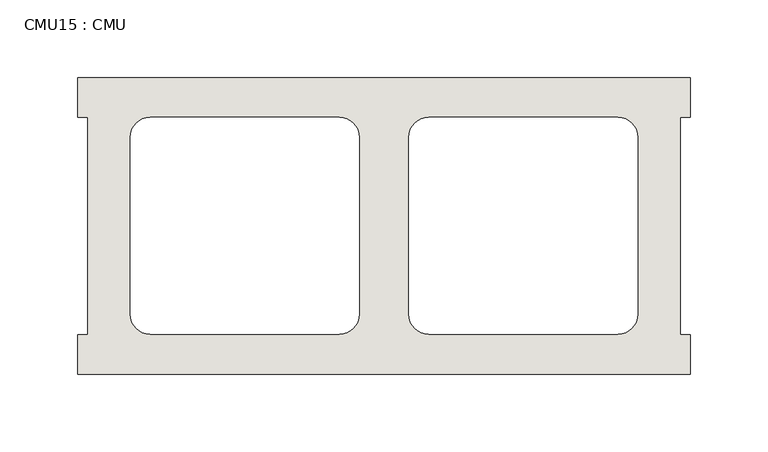
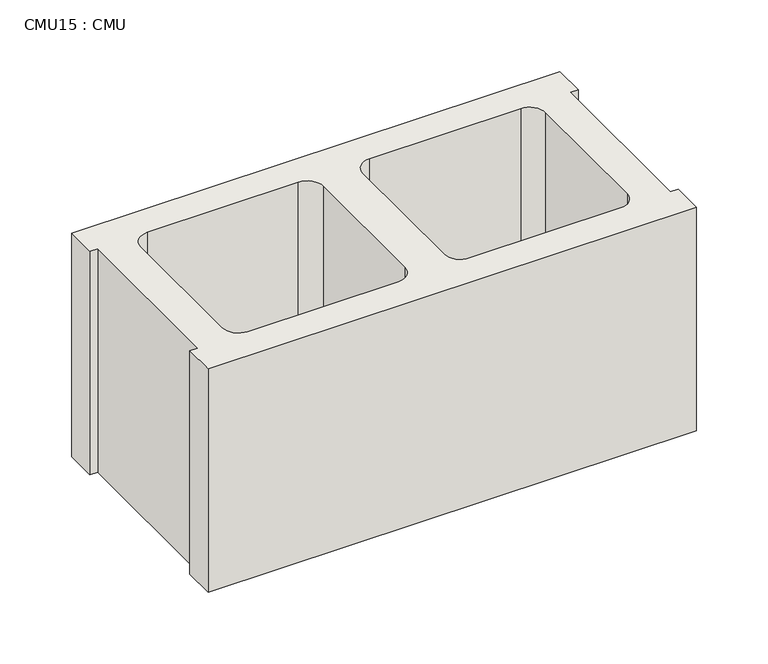
"""IFC4 building model written with IfcOpenShell, lengths in millimetres: wall geometry, CMU15 : CMU."""

from ifc_helpers import new_model, si_unit, point, frame, frame_2d, origin, place, context, project, spatial, polyline, circle_curve, trimmed, segment, composite_curve, outline, extrude, source, transform, mapped, element, save


def cmu15_cmu_1086aa21(model_context):
    return source(origin(), model_context, "Body", "SweptSolid", [
        extrude(outline(polyline([(-150.9397938, 2484.2276522), (242.7602062, 2484.2276522), (242.7602062, 2458.8276522), (236.4102062, 2458.8276522), (236.4102062, 2319.1276522), (242.7602062, 2319.1276522), (242.7602062, 2293.7276522), (-150.9397938, 2293.7276522), (-150.9397938, 2319.1276522), (-144.5897938, 2319.1276522), (-144.5897938, 2458.8276522), (-150.9397938, 2458.8276522), (-150.9397938, 2484.2276522)]), holes=[composite_curve([segment(polyline([(17.2282049, 2458.8276522), (-104.4884452, 2458.8276522)]), True, "CONTINUOUS"), segment(trimmed(circle_curve(frame_2d((-104.4884452, 2446.1276522)), 12.7), [point((-104.4884452, 2458.8276522))], [point((-117.1884452, 2446.1276522))], True, "CARTESIAN"), True, "CONTINUOUS"), segment(polyline([(-117.1884452, 2446.1276522), (-117.1884452, 2332.0618125)]), True, "CONTINUOUS"), segment(trimmed(circle_curve(frame_2d((-104.4884452, 2332.0618125)), 12.7), [point((-117.1884452, 2332.0618125))], [point((-104.4884452, 2319.3618125))], True, "CARTESIAN"), True, "CONTINUOUS"), segment(polyline([(-104.4884452, 2319.3618125), (17.2282049, 2319.3618125)]), True, "CONTINUOUS"), segment(trimmed(circle_curve(frame_2d((17.2282049, 2332.0618125)), 12.7), [point((17.2282049, 2319.3618125))], [point((29.9282049, 2332.0618125))], True, "CARTESIAN"), True, "CONTINUOUS"), segment(polyline([(29.9282049, 2332.0618125), (29.9282049, 2446.1276522)]), True, "CONTINUOUS"), segment(trimmed(circle_curve(frame_2d((17.2282049, 2446.1276522)), 12.7), [point((29.9282049, 2446.1276522))], [point((17.2282049, 2458.8276522))], True, "CARTESIAN"), True, "CONTINUOUS")], self_intersect=False), composite_curve([segment(trimmed(circle_curve(frame_2d((74.5922075, 2446.1276522)), 12.7), [point((74.5922075, 2458.8276522))], [point((61.8922075, 2446.1276522))], True, "CARTESIAN"), True, "CONTINUOUS"), segment(polyline([(61.8922075, 2446.1276522), (61.8922075, 2332.0618125)]), True, "CONTINUOUS"), segment(trimmed(circle_curve(frame_2d((74.5922075, 2332.0618125)), 12.7), [point((61.8922075, 2332.0618125))], [point((74.5922075, 2319.3618125))], True, "CARTESIAN"), True, "CONTINUOUS"), segment(polyline([(74.5922075, 2319.3618125), (196.3088576, 2319.3618125)]), True, "CONTINUOUS"), segment(trimmed(circle_curve(frame_2d((196.3088576, 2332.0618125)), 12.7), [point((196.3088576, 2319.3618125))], [point((209.0088576, 2332.0618125))], True, "CARTESIAN"), True, "CONTINUOUS"), segment(polyline([(209.0088576, 2332.0618125), (209.0088576, 2446.1276522)]), True, "CONTINUOUS"), segment(trimmed(circle_curve(frame_2d((196.3088576, 2446.1276522)), 12.7), [point((209.0088576, 2446.1276522))], [point((196.3088576, 2458.8276522))], True, "CARTESIAN"), True, "CONTINUOUS"), segment(polyline([(196.3088576, 2458.8276522), (74.5922075, 2458.8276522)]), True, "CONTINUOUS")], self_intersect=False)]), frame((0.0, 0.0, 723.9), z_axis=(0.0, 0.0, 1.0), x_axis=(1.0, 0.0, 0.0)), (0.0, 0.0, 1.0), 190.5),
    ])


if __name__ == "__main__":
    model = new_model("IFC4")
    model_context = context("Model", 3, world=origin())
    ifc_project = project(units=[si_unit("LENGTHUNIT", "METRE", prefix="MILLI")], contexts=[model_context])
    site = spatial("IfcSite", under=ifc_project)
    building = spatial("IfcBuilding", under=site)
    placement = place(None, origin())
    cmu15_cmu_shape = cmu15_cmu_1086aa21(model_context)
    element("IfcWall", 1, ObjectType="CMU15 : CMU", at=placement, inside=building, context=model_context, shape_type="MappedRepresentation", body=[
        mapped(cmu15_cmu_shape, transform((0.0, 0.0, 0.0), x_axis=(1.0, 0.0, 0.0), y_axis=(0.0, 1.0, 0.0), z_axis=(0.0, 0.0, 1.0))),
    ])
    save(model, "model.ifc")
